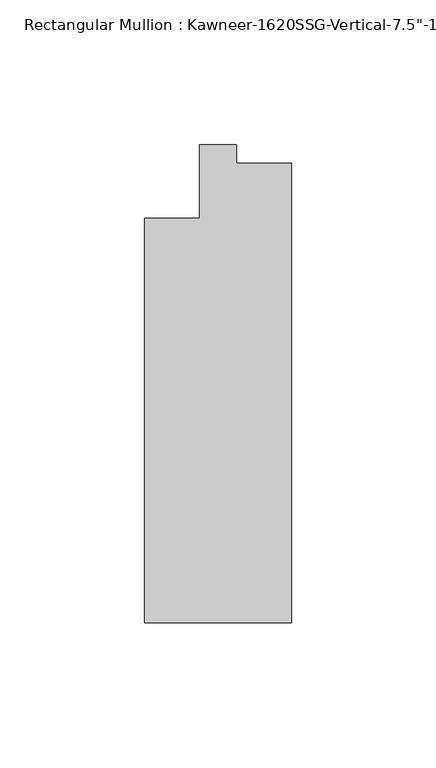
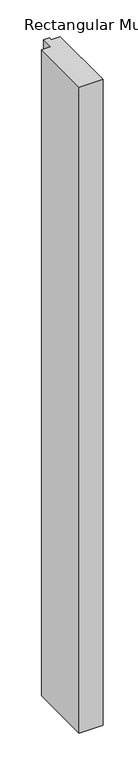
"""IFC4 building model written with IfcOpenShell, lengths in millimetres: member geometry."""

from ifc_helpers import new_model, si_unit, frame, origin, place, context, project, spatial, polyline, outline, extrude, source, transform, mapped, element, save


def member_e28fd8b8(model_context):
    return source(origin(), model_context, "Body", "SweptSolid", [
        extrude(outline(polyline([(25.4, -161.925), (-25.4, -161.925), (-25.4, -22.225), (-6.35, -22.225), (-6.35, 3.175), (6.35, 3.175), (6.35, -3.175), (25.4, -3.175), (25.4, -161.925)])), frame((0.0, 0.0, -1460.5), z_axis=(0.0, 0.0, 1.0), x_axis=(1.0, 0.0, 0.0)), (0.0, 0.0, 1.0), 1460.5),
    ])


if __name__ == "__main__":
    model = new_model("IFC4")
    model_context = context("Model", 3, world=origin())
    ifc_project = project(units=[si_unit("LENGTHUNIT", "METRE", prefix="MILLI")], contexts=[model_context])
    site = spatial("IfcSite", under=ifc_project)
    building = spatial("IfcBuilding", under=site)
    placement = place(None, origin())
    member_shape = member_e28fd8b8(model_context)
    element("IfcMember", 1, ObjectType="Rectangular Mullion : Kawneer-1620SSG-Vertical-7.5\"-1\"_1/4\"Infill", at=placement, inside=building, context=model_context, shape_type="MappedRepresentation", body=[
        mapped(member_shape, transform((0.0, 0.0, 0.0), x_axis=(1.0, 0.0, 0.0), y_axis=(0.0, 1.0, 0.0), z_axis=(0.0, 0.0, 1.0))),
    ])
    save(model, "model.ifc")
